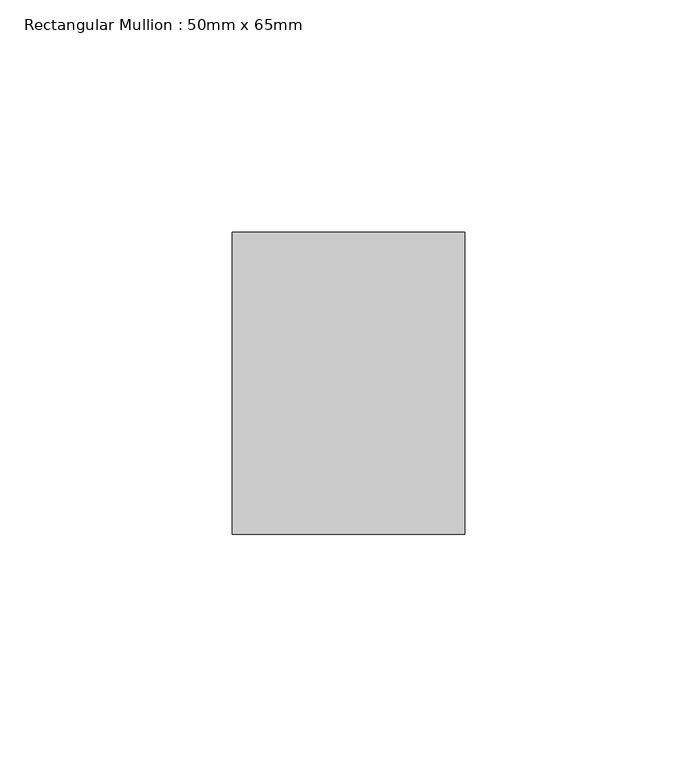
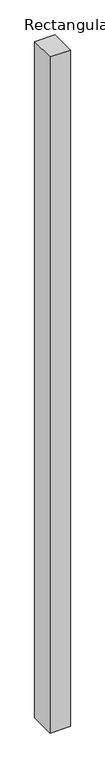
"""IFC4 building model written with IfcOpenShell, lengths in millimetres: member geometry, Rectangular Mullion : 50mm x 65mm."""

from ifc_helpers import new_model, si_unit, frame, origin, place, context, project, spatial, polyline, outline, extrude, source, transform, mapped, element, save


def rectangular_mullion_50mm_x_65mm_f974c787(model_context):
    return source(origin(), model_context, "Body", "SweptSolid", [
        extrude(outline(polyline([(25.0, 32.5), (25.0, -32.5), (-25.0, -32.5), (-25.0, 32.5), (25.0, 32.5)])), frame((0.0, 0.0, -1754.4954463), z_axis=(0.0, 0.0, 1.0), x_axis=(1.0, 0.0, 0.0)), (0.0, 0.0, 1.0), 1754.4954463),
    ])


if __name__ == "__main__":
    model = new_model("IFC4")
    model_context = context("Model", 3, world=origin())
    ifc_project = project(units=[si_unit("LENGTHUNIT", "METRE", prefix="MILLI")], contexts=[model_context])
    site = spatial("IfcSite", under=ifc_project)
    building = spatial("IfcBuilding", under=site)
    placement = place(None, origin())
    rectangular_mullion_50mm_x_65mm_shape = rectangular_mullion_50mm_x_65mm_f974c787(model_context)
    element("IfcMember", 1, ObjectType="Rectangular Mullion : 50mm x 65mm", at=placement, inside=building, context=model_context, shape_type="MappedRepresentation", body=[
        mapped(rectangular_mullion_50mm_x_65mm_shape, transform((0.0, 0.0, 0.0), x_axis=(1.0, 0.0, 0.0), y_axis=(0.0, 1.0, 0.0), z_axis=(0.0, 0.0, 1.0))),
    ])
    save(model, "model.ifc")
